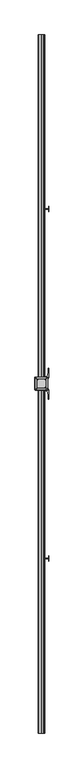
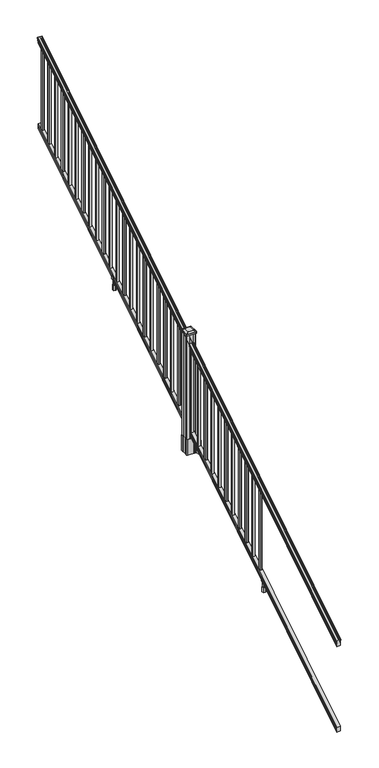
"""IFC4 building model written with IfcOpenShell, lengths in millimetres: railing geometry."""

from ifc_helpers import new_model, si_unit, point, frame, frame_2d, origin, place, context, project, spatial, polyline, circle_curve, ellipse_curve, trimmed, segment, composite_curve, outline, extrude, faceted_brep, source, transform, mapped, element, save
from ifc_brep_helpers import plane_surface, cylinder_surface, revolved_surface, extruded_surface, advanced_brep


def railing_cfca4153(model_context):
    return source(origin(), model_context, "Body", "SolidModel", [
        advanced_brep(
        [(10207.2754996, -7669.8194681, 1133.2070492), (10209.8493284, -7669.8194681, 1133.2070492), (10209.8493284, -7669.8194681, 1120.6394336), (10208.8333284, -7669.8194681, 1119.441318), (10208.8333284, -7669.8194681, 1104.9), (10240.5833284, -7669.8194681, 1104.9), (10240.5833284, -7669.8194681, 1119.6274214), (10239.5673284, -7669.8194681, 1120.825537), (10239.5673284, -7669.8194681, 1133.2070492), (10242.1411571, -7669.8194681, 1133.2070492), (10242.1411571, -7669.8194681, 1135.4335658), (10243.2713434, -7669.8194681, 1137.2758543), (10243.2713434, -7669.8194681, 1145.7876358), (10242.622087, -7669.8194681, 1148.6572588), (10245.122087, -7669.8194681, 1153.7635509), (10246.5314295, -7669.8194681, 1155.7442021), (10246.9333285, -7669.8194681, 1157.0469579), (10246.9333284, -7669.8194681, 1158.6274846), (10245.3798811, -7669.8194681, 1160.4593836), (10224.7083284, -7669.8194681, 1160.4593836), (10204.0367756, -7669.8194681, 1160.4593836), (10202.4833284, -7669.8194681, 1158.6274846), (10202.4833284, -7669.8194681, 1157.0469579), (10202.8852273, -7669.8194681, 1155.7442021), (10204.2945697, -7669.8194681, 1153.7635509), (10206.7945697, -7669.8194681, 1148.6572588), (10206.1453133, -7669.8194681, 1145.7876358), (10206.1453133, -7669.8194681, 1137.2758543), (10207.2754996, -7669.8194681, 1135.4335658), (10207.2754996, -2793.0194681, 4181.2070492), (10207.2754996, -2793.0194681, 4183.4335658), (10206.1453133, -2793.0194681, 4185.2758543), (10206.1453133, -2793.0194681, 4193.7876358), (10206.7945697, -2793.0194681, 4196.6572588), (10204.2945697, -2793.0194681, 4201.7635509), (10202.8852273, -2793.0194681, 4203.7442021), (10202.4833283, -2793.0194681, 4205.0469579), (10202.4833284, -2793.0194681, 4206.6274846), (10204.0367756, -2793.0194681, 4208.4593836), (10224.7083284, -2793.0194681, 4208.4593836), (10245.3798811, -2793.0194681, 4208.4593836), (10246.9333284, -2793.0194681, 4206.6274846), (10246.9333284, -2793.0194681, 4205.0469579), (10246.5314295, -2793.0194681, 4203.7442021), (10245.122087, -2793.0194681, 4201.7635509), (10242.622087, -2793.0194681, 4196.6572588), (10243.2713434, -2793.0194681, 4193.7876358), (10243.2713434, -2793.0194681, 4185.2758543), (10242.1411571, -2793.0194681, 4183.4335658), (10242.1411571, -2793.0194681, 4181.2070492), (10239.5673284, -2793.0194681, 4181.2070492), (10239.5673284, -2793.0194681, 4168.825537), (10240.5833284, -2793.0194681, 4167.6274214), (10240.5833284, -2793.0194681, 4152.9), (10208.8333284, -2793.0194681, 4152.9), (10208.8333284, -2793.0194681, 4167.441318), (10209.8493284, -2793.0194681, 4168.6394336), (10209.8493284, -2793.0194681, 4181.2070492)],
        [
            (0, 1, ellipse_curve(frame((10208.562414, -7669.8194681, 1133.2070492), z_axis=(0.0, -1.0, 0.0), x_axis=(0.0, 0.0, -1.0)), 1.5175907, 1.2869144)),
            (1, 2),
            (2, 3),
            (3, 4),
            (4, 5),
            (5, 6),
            (6, 7),
            (7, 8),
            (8, 9, ellipse_curve(frame((10240.8542427, -7669.8194681, 1133.2070492), z_axis=(0.0, -1.0, 0.0), x_axis=(0.0, 0.0, -1.0)), 1.5175907, 1.2869144)),
            (9, 10),
            (10, 11, ellipse_curve(frame((10235.8264038, -7669.8194681, 1142.2239405), z_axis=(0.0, -1.0, 0.0), x_axis=(0.0, 0.0, -1.0)), 10.0777926, 8.545951)),
            (11, 12, ellipse_curve(frame((10236.2634668, -7669.8194681, 1141.5317451), z_axis=(0.0, -1.0, 0.0), x_axis=(0.0, 0.0, -1.0)), 9.2955186, 7.882584)),
            (12, 13, ellipse_curve(frame((10246.7767909, -7669.8194681, 1148.4275077), z_axis=(0.0, 1.0, 0.0), x_axis=(0.0, 0.0, 1.0)), 4.9048088, 4.1592695)),
            (13, 14, ellipse_curve(frame((10248.0640975, -7669.8194681, 1148.3563208), z_axis=(0.0, 1.0, 0.0), x_axis=(0.0, 0.0, 1.0)), 6.4245301, 5.4479907)),
            (14, 15, ellipse_curve(frame((10246.830939, -7669.8194681, 1153.7602333), z_axis=(0.0, 1.0, 0.0), x_axis=(0.0, 0.0, 1.0)), 2.0151625, 1.7088543)),
            (15, 16, ellipse_curve(frame((10245.2140389, -7669.8194681, 1157.0469579), z_axis=(0.0, -1.0, 0.0), x_axis=(0.0, 0.0, -1.0)), 2.0274681, 1.7192895)),
            (16, 17),
            (17, 18, ellipse_curve(frame((10245.3798811, -7669.8194681, 1158.6274846), z_axis=(0.0, -1.0, 0.0), x_axis=(0.0, 0.0, -1.0)), 1.831899, 1.5534472)),
            (18, 19),
            (19, 20),
            (20, 21, ellipse_curve(frame((10204.0367756, -7669.8194681, 1158.6274846), z_axis=(0.0, -1.0, 0.0), x_axis=(0.0, 0.0, -1.0)), 1.831899, 1.5534472)),
            (21, 22),
            (22, 23, ellipse_curve(frame((10204.2026178, -7669.8194681, 1157.0469579), z_axis=(0.0, -1.0, 0.0), x_axis=(0.0, 0.0, -1.0)), 2.0274681, 1.7192895)),
            (23, 24, ellipse_curve(frame((10202.5857177, -7669.8194681, 1153.7602333), z_axis=(0.0, 1.0, 0.0), x_axis=(0.0, 0.0, 1.0)), 2.0151625, 1.7088543)),
            (24, 25, ellipse_curve(frame((10201.3525593, -7669.8194681, 1148.3563208), z_axis=(0.0, 1.0, 0.0), x_axis=(0.0, 0.0, 1.0)), 6.4245301, 5.4479907)),
            (25, 26, ellipse_curve(frame((10202.6398658, -7669.8194681, 1148.4275077), z_axis=(0.0, 1.0, 0.0), x_axis=(0.0, 0.0, 1.0)), 4.9048088, 4.1592695)),
            (26, 27, ellipse_curve(frame((10213.15319, -7669.8194681, 1141.5317451), z_axis=(0.0, -1.0, 0.0), x_axis=(0.0, 0.0, -1.0)), 9.2955186, 7.882584)),
            (27, 28, ellipse_curve(frame((10213.5902529, -7669.8194681, 1142.2239405), z_axis=(0.0, -1.0, 0.0), x_axis=(0.0, 0.0, -1.0)), 10.0777926, 8.545951)),
            (28, 0),
            (29, 30),
            (30, 31, ellipse_curve(frame((10213.5902529, -2793.0194681, 4190.2239405), z_axis=(0.0, 1.0, 0.0), x_axis=(0.0, 0.0, -1.0)), 10.0777926, 8.545951)),
            (31, 32, ellipse_curve(frame((10213.15319, -2793.0194681, 4189.5317451), z_axis=(0.0, 1.0, 0.0), x_axis=(0.0, 0.0, -1.0)), 9.2955186, 7.882584)),
            (32, 33, ellipse_curve(frame((10202.6398658, -2793.0194681, 4196.4275077), z_axis=(0.0, -1.0, 0.0), x_axis=(0.0, 0.0, 1.0)), 4.9048088, 4.1592695)),
            (33, 34, ellipse_curve(frame((10201.3525593, -2793.0194681, 4196.3563208), z_axis=(0.0, -1.0, 0.0), x_axis=(0.0, 0.0, 1.0)), 6.4245301, 5.4479907)),
            (34, 35, ellipse_curve(frame((10202.5857177, -2793.0194681, 4201.7602333), z_axis=(0.0, -1.0, 0.0), x_axis=(0.0, 0.0, 1.0)), 2.0151625, 1.7088543)),
            (35, 36, ellipse_curve(frame((10204.2026178, -2793.0194681, 4205.0469579), z_axis=(0.0, 1.0, 0.0), x_axis=(0.0, 0.0, -1.0)), 2.0274681, 1.7192895)),
            (36, 37),
            (37, 38, ellipse_curve(frame((10204.0367756, -2793.0194681, 4206.6274846), z_axis=(0.0, 1.0, 0.0), x_axis=(0.0, 0.0, -1.0)), 1.831899, 1.5534472)),
            (38, 39),
            (39, 40),
            (40, 41, ellipse_curve(frame((10245.3798811, -2793.0194681, 4206.6274846), z_axis=(0.0, 1.0, 0.0), x_axis=(0.0, 0.0, -1.0)), 1.831899, 1.5534472)),
            (41, 42),
            (42, 43, ellipse_curve(frame((10245.2140389, -2793.0194681, 4205.0469579), z_axis=(0.0, 1.0, 0.0), x_axis=(0.0, 0.0, -1.0)), 2.0274681, 1.7192895)),
            (43, 44, ellipse_curve(frame((10246.830939, -2793.0194681, 4201.7602333), z_axis=(0.0, -1.0, 0.0), x_axis=(0.0, 0.0, 1.0)), 2.0151625, 1.7088543)),
            (44, 45, ellipse_curve(frame((10248.0640975, -2793.0194681, 4196.3563208), z_axis=(0.0, -1.0, 0.0), x_axis=(0.0, 0.0, 1.0)), 6.4245301, 5.4479907)),
            (45, 46, ellipse_curve(frame((10246.7767909, -2793.0194681, 4196.4275077), z_axis=(0.0, -1.0, 0.0), x_axis=(0.0, 0.0, 1.0)), 4.9048088, 4.1592695)),
            (46, 47, ellipse_curve(frame((10236.2634668, -2793.0194681, 4189.5317451), z_axis=(0.0, 1.0, 0.0), x_axis=(0.0, 0.0, -1.0)), 9.2955186, 7.882584)),
            (47, 48, ellipse_curve(frame((10235.8264038, -2793.0194681, 4190.2239405), z_axis=(0.0, 1.0, 0.0), x_axis=(0.0, 0.0, -1.0)), 10.0777926, 8.545951)),
            (48, 49),
            (49, 50, ellipse_curve(frame((10240.8542427, -2793.0194681, 4181.2070492), z_axis=(0.0, 1.0, 0.0), x_axis=(0.0, 0.0, -1.0)), 1.5175907, 1.2869144)),
            (50, 51),
            (51, 52),
            (52, 53),
            (53, 54),
            (54, 55),
            (55, 56),
            (56, 57),
            (57, 29, ellipse_curve(frame((10208.562414, -2793.0194681, 4181.2070492), z_axis=(0.0, 1.0, 0.0), x_axis=(0.0, 0.0, -1.0)), 1.5175907, 1.2869144)),
            (28, 30),
            (29, 0),
            (27, 31),
            (26, 32),
            (25, 33),
            (24, 34),
            (23, 35),
            (22, 36),
            (21, 37),
            (20, 38),
            (19, 39),
            (18, 40),
            (17, 41),
            (16, 42),
            (15, 43),
            (14, 44),
            (13, 45),
            (12, 46),
            (11, 47),
            (10, 48),
            (9, 49),
            (8, 50),
            (7, 51),
            (6, 52),
            (5, 53),
            (4, 54),
            (3, 55),
            (2, 56),
            (1, 57),
        ],
        [
            plane_surface(frame((10224.7083284, -7669.8194681, 1104.9), z_axis=(0.0, -1.0, 0.0), x_axis=(0.0, 0.0, 1.0))),
            plane_surface(frame((10224.7083284, -2793.0194681, 4152.9), z_axis=(0.0, 1.0, 0.0), x_axis=(0.0, 0.0, 1.0))),
            plane_surface(frame((10207.2754996, -7669.8194681, 1135.4335658), z_axis=(-1.0000000000000002, 0.0, 0.0), x_axis=(0.0, 0.8479983040051253, 0.5299989400031204))),
            cylinder_surface(frame((10213.5902529, -7686.5942728, 1131.7396876), z_axis=(0.0, -0.8479983040051253, -0.5299989400031204), x_axis=(1.0, 0.0, 0.0)), 8.545951),
            cylinder_surface(frame((10213.15319, -7686.2831737, 1131.241929), z_axis=(0.0, -0.8479983040051253, -0.5299989400031204), x_axis=(1.0, 0.0, 0.0)), 7.882584),
            revolved_surface(polyline([(10206.7991353, -2790.8150596503465, 4197.805262980555), (10206.7991353, -7672.023876549438, 1147.0497524190998)]), (10202.6398658, -7689.3823929, 1136.2006797), (0.0, 0.8479983040051253, 0.5299989400031204)),
            revolved_surface(polyline([(10206.80055, -2790.132038835739, 4198.160964077184), (10206.80055, -7672.7068973528085, 1146.5516775044932)]), (10201.3525593, -7689.3503988, 1136.1494891), (0.0, 0.8479983040051253, 0.5299989400031204)),
            revolved_surface(polyline([(10204.294572, -2792.113777099783, 4202.326290199657), (10204.294572, -7670.725159122471, 1153.1941764359535)]), (10202.5857177, -7691.7791235, 1140.0354487), (0.0, 0.8479983040051253, 0.5299989400031204)),
            cylinder_surface(frame((10204.2026178, -7693.2563031, 1142.398936), z_axis=(0.0, -0.8479983040051253, -0.5299989400031204), x_axis=(1.0, 0.0, 0.0)), 1.7192895),
            plane_surface(frame((10202.4833284, -7669.8194681, 1158.6274846), z_axis=(-1.0000000000000002, 0.0, 0.0), x_axis=(0.0, 0.8479983040051253, 0.5299989400031204))),
            cylinder_surface(frame((10204.0367756, -7693.9666522, 1143.5354945), z_axis=(0.0, -0.8479983040051253, -0.5299989400031204), x_axis=(1.0, 0.0, 0.0)), 1.5534472),
            plane_surface(frame((10224.7083284, -7669.8194681, 1160.4593836), z_axis=(0.0, -0.5299989400031204, 0.8479983040051253), x_axis=(0.0, 0.8479983040051253, 0.5299989400031204))),
            plane_surface(frame((10245.3798811, -7669.8194681, 1160.4593836), z_axis=(0.0, -0.5299989400031204, 0.8479983040051253), x_axis=(0.0, 0.8479983040051253, 0.5299989400031204))),
            cylinder_surface(frame((10245.3798811, -7693.9666522, 1143.5354945), z_axis=(0.0, -0.8479983040051253, -0.5299989400031204), x_axis=(-1.0, 0.0, 0.0)), 1.5534472),
            plane_surface(frame((10246.9333284, -7669.8194681, 1157.0469579), z_axis=(1.0000000000000002, 0.0, 0.0), x_axis=(0.0, 0.8479983040051253, 0.5299989400031204))),
            cylinder_surface(frame((10245.2140389, -7693.2563031, 1142.398936), z_axis=(0.0, -0.8479983040051253, -0.5299989400031204), x_axis=(-1.0, 0.0, 0.0)), 1.7192895),
            revolved_surface(polyline([(10245.122084699999, -2792.113777099783, 4202.326290199657), (10245.122084699999, -7670.725159122471, 1153.1941764359535)]), (10246.830939, -7691.7791235, 1140.0354487), (0.0, 0.8479983040051253, 0.5299989400031204)),
            revolved_surface(polyline([(10242.6161068, -2790.132038835739, 4198.160964077184), (10242.6161068, -7672.7068973528085, 1146.5516775044932)]), (10248.0640975, -7689.3503988, 1136.1494891), (0.0, 0.8479983040051253, 0.5299989400031204)),
            revolved_surface(polyline([(10242.6175214, -2790.8150596503465, 4197.805262980555), (10242.6175214, -7672.023876549438, 1147.0497524190998)]), (10246.7767909, -7689.3823929, 1136.2006797), (0.0, 0.8479983040051253, 0.5299989400031204)),
            cylinder_surface(frame((10236.2634668, -7686.2831737, 1131.241929), z_axis=(0.0, -0.8479983040051253, -0.5299989400031204), x_axis=(-1.0, 0.0, 0.0)), 7.882584),
            cylinder_surface(frame((10235.8264038, -7686.5942728, 1131.7396876), z_axis=(0.0, -0.8479983040051253, -0.5299989400031204), x_axis=(-1.0, 0.0, 0.0)), 8.545951),
            plane_surface(frame((10242.1411571, -7669.8194681, 1133.2070492), z_axis=(1.0, 0.0, 0.0), x_axis=(0.0, 0.8479983040051253, 0.5299989400031203))),
            cylinder_surface(frame((10240.8542427, -7682.5417374, 1125.2556309), z_axis=(0.0, -0.8479983040051253, -0.5299989400031204), x_axis=(-1.0, 0.0, 0.0)), 1.2869144),
            plane_surface(frame((10239.5673284, -7669.8194681, 1120.825537), z_axis=(1.0, 0.0, 0.0), x_axis=(0.0, 0.8479983040051252, 0.5299989400031205))),
            plane_surface(frame((10240.5833284, -7669.8194681, 1119.6274214), z_axis=(0.7071067811865426, -0.37476584449789224, 0.5996253511967193), x_axis=(0.0, 0.8479983040051253, 0.5299989400031204))),
            plane_surface(frame((10240.5833284, -7669.8194681, 1104.9), z_axis=(1.0000000000000002, 0.0, 0.0), x_axis=(0.0, 0.8479983040051253, 0.5299989400031204))),
            plane_surface(frame((10208.8333284, -7669.8194681, 1104.9), z_axis=(0.0, 0.5299989400031204, -0.8479983040051253), x_axis=(0.0, 0.8479983040051253, 0.5299989400031204))),
            plane_surface(frame((10208.8333284, -7669.8194681, 1119.441318), z_axis=(-1.0, 0.0, 0.0), x_axis=(0.0, 0.8479983040051252, 0.5299989400031204))),
            plane_surface(frame((10209.8493284, -7669.8194681, 1120.6394336), z_axis=(-0.7071067811865404, -0.3747658444978917, 0.5996253511967224), x_axis=(0.0, 0.8479983040051253, 0.5299989400031204))),
            plane_surface(frame((10209.8493284, -7669.8194681, 1133.2070492), z_axis=(-1.0000000000000002, 0.0, 0.0), x_axis=(0.0, 0.8479983040051253, 0.5299989400031204))),
            cylinder_surface(frame((10208.562414, -7682.5417374, 1125.2556309), z_axis=(0.0, -0.8479983040051253, -0.5299989400031204), x_axis=(1.0, 0.0, 0.0)), 1.2869144),
        ],
        [
            (0, [[1, 2, 3, 4, 5, 6, 7, 8, 9, 10, 11, 12, 13, 14, 15, 16, 17, 18, 19, 20, 21, 22, 23, 24, 25, 26, 27, 28, 29]]),
            (1, [[30, 31, 32, 33, 34, 35, 36, 37, 38, 39, 40, 41, 42, 43, 44, 45, 46, 47, 48, 49, 50, 51, 52, 53, 54, 55, 56, 57, 58]]),
            (2, [[-29, 59, -30, 60]]),
            (3, [[-28, 61, -31, -59]]),
            (4, [[-27, 62, -32, -61]]),
            (5, [[-26, 63, -33, -62]]),
            (6, [[-25, 64, -34, -63]]),
            (7, [[-24, 65, -35, -64]]),
            (8, [[-23, 66, -36, -65]]),
            (9, [[-22, 67, -37, -66]]),
            (10, [[-21, 68, -38, -67]]),
            (11, [[-20, 69, -39, -68]]),
            (12, [[-19, 70, -40, -69]]),
            (13, [[-18, 71, -41, -70]]),
            (14, [[-17, 72, -42, -71]]),
            (15, [[-16, 73, -43, -72]]),
            (16, [[-15, 74, -44, -73]]),
            (17, [[-14, 75, -45, -74]]),
            (18, [[-13, 76, -46, -75]]),
            (19, [[-12, 77, -47, -76]]),
            (20, [[-11, 78, -48, -77]]),
            (21, [[-10, 79, -49, -78]]),
            (22, [[-9, 80, -50, -79]]),
            (23, [[-8, 81, -51, -80]]),
            (24, [[-7, 82, -52, -81]]),
            (25, [[-6, 83, -53, -82]]),
            (26, [[-5, 84, -54, -83]]),
            (27, [[-4, 85, -55, -84]]),
            (28, [[-3, 86, -56, -85]]),
            (29, [[-2, 87, -57, -86]]),
            (30, [[-1, -60, -58, -87]]),
        ],
    ),
        faceted_brep([(10208.7958415, -7669.8194681, 268.8045079), (10208.7958415, -7669.8194681, 254.0), (10240.5458415, -7669.8194681, 254.0), (10240.5458415, -7669.8194681, 268.7848772), (10239.5298415, -7669.8194681, 270.3748303), (10239.5298415, -7669.8194681, 282.5348741), (10240.5458415, -7669.8194681, 284.1248272), (10240.5458415, -7669.8194681, 298.9244744), (10208.7958415, -7669.8194681, 298.9244744), (10208.7958415, -7669.8194681, 284.1444579), (10209.8118415, -7669.8194681, 282.5545048), (10209.8118415, -7669.8194681, 270.338026), (10208.7958415, -2793.0194681, 3316.8045079), (10209.8118415, -2793.0194681, 3318.338026), (10209.8118415, -2793.0194681, 3330.5545048), (10208.7958415, -2793.0194681, 3332.1444579), (10208.7958415, -2793.0194681, 3346.9244744), (10240.5458415, -2793.0194681, 3346.9244744), (10240.5458415, -2793.0194681, 3332.1248272), (10239.5298415, -2793.0194681, 3330.5348741), (10239.5298415, -2793.0194681, 3318.3748303), (10240.5458415, -2793.0194681, 3316.7848772), (10240.5458415, -2793.0194681, 3302.0), (10208.7958415, -2793.0194681, 3302.0)], [[[0, 1, 2, 3, 4, 5, 6, 7, 8, 9, 10, 11]], [[12, 13, 14, 15, 16, 17, 18, 19, 20, 21, 22, 23]], [[0, 11, 13, 12]], [[11, 10, 14, 13]], [[10, 9, 15, 14]], [[9, 8, 16, 15]], [[8, 7, 17, 16]], [[7, 6, 18, 17]], [[6, 5, 19, 18]], [[5, 4, 20, 19]], [[4, 3, 21, 20]], [[3, 2, 22, 21]], [[2, 1, 23, 22]], [[1, 0, 12, 23]]]),
        extrude(outline(polyline([(10215.1833284, -2849.7884681), (10215.1833284, -2830.7384681), (10234.2333284, -2830.7384681), (10234.2333284, -2849.7884681), (10215.1833284, -2849.7884681)]), holes=[polyline([(10215.5802034, -2849.3915931), (10233.8364534, -2849.3915931), (10233.8364534, -2831.1353431), (10215.5802034, -2831.1353431), (10215.5802034, -2849.3915931)])]), frame((0.0, 0.0, 3310.5683781), z_axis=(0.0, 0.0, 1.0), x_axis=(1.0, 0.0, 0.0)), (0.0, 0.0, 1.0), 812.8041219),
        extrude(outline(polyline([(10215.1833284, -2961.0404681), (10215.1833284, -2941.9904681), (10234.2333284, -2941.9904681), (10234.2333284, -2961.0404681), (10215.1833284, -2961.0404681)]), holes=[polyline([(10215.5802034, -2960.6435931), (10233.8364534, -2960.6435931), (10233.8364534, -2942.3873431), (10215.5802034, -2942.3873431), (10215.5802034, -2960.6435931)])]), frame((0.0, 0.0, 3241.0358781), z_axis=(0.0, 0.0, 1.0), x_axis=(1.0, 0.0, 0.0)), (0.0, 0.0, 1.0), 812.8041219),
        extrude(outline(polyline([(10215.1833284, -3072.2924681), (10215.1833284, -3053.2424681), (10234.2333284, -3053.2424681), (10234.2333284, -3072.2924681), (10215.1833284, -3072.2924681)]), holes=[polyline([(10215.5802034, -3071.8955931), (10233.8364534, -3071.8955931), (10233.8364534, -3053.6393431), (10215.5802034, -3053.6393431), (10215.5802034, -3071.8955931)])]), frame((0.0, 0.0, 3171.5033781), z_axis=(0.0, 0.0, 1.0), x_axis=(1.0, 0.0, 0.0)), (0.0, 0.0, 1.0), 812.8041219),
        extrude(outline(polyline([(10215.1833284, -3183.5444681), (10215.1833284, -3164.4944681), (10234.2333284, -3164.4944681), (10234.2333284, -3183.5444681), (10215.1833284, -3183.5444681)]), holes=[polyline([(10215.5802034, -3183.1475931), (10233.8364534, -3183.1475931), (10233.8364534, -3164.8913431), (10215.5802034, -3164.8913431), (10215.5802034, -3183.1475931)])]), frame((0.0, 0.0, 3101.9708781), z_axis=(0.0, 0.0, 1.0), x_axis=(1.0, 0.0, 0.0)), (0.0, 0.0, 1.0), 812.8041219),
        extrude(outline(polyline([(10215.1833284, -3294.7964681), (10215.1833284, -3275.7464681), (10234.2333284, -3275.7464681), (10234.2333284, -3294.7964681), (10215.1833284, -3294.7964681)]), holes=[polyline([(10215.5802034, -3294.3995931), (10233.8364534, -3294.3995931), (10233.8364534, -3276.1433431), (10215.5802034, -3276.1433431), (10215.5802034, -3294.3995931)])]), frame((0.0, 0.0, 3032.4383781), z_axis=(0.0, 0.0, 1.0), x_axis=(1.0, 0.0, 0.0)), (0.0, 0.0, 1.0), 812.8041219),
        extrude(outline(polyline([(10215.1833284, -3406.0484681), (10215.1833284, -3386.9984681), (10234.2333284, -3386.9984681), (10234.2333284, -3406.0484681), (10215.1833284, -3406.0484681)]), holes=[polyline([(10215.5802034, -3405.6515931), (10233.8364534, -3405.6515931), (10233.8364534, -3387.3953431), (10215.5802034, -3387.3953431), (10215.5802034, -3405.6515931)])]), frame((0.0, 0.0, 2962.9058781), z_axis=(0.0, 0.0, 1.0), x_axis=(1.0, 0.0, 0.0)), (0.0, 0.0, 1.0), 812.8041219),
        extrude(outline(polyline([(10215.1833284, -3517.3004681), (10215.1833284, -3498.2504681), (10234.2333284, -3498.2504681), (10234.2333284, -3517.3004681), (10215.1833284, -3517.3004681)]), holes=[polyline([(10215.5802034, -3516.9035931), (10233.8364534, -3516.9035931), (10233.8364534, -3498.6473431), (10215.5802034, -3498.6473431), (10215.5802034, -3516.9035931)])]), frame((0.0, 0.0, 2893.3733781), z_axis=(0.0, 0.0, 1.0), x_axis=(1.0, 0.0, 0.0)), (0.0, 0.0, 1.0), 812.8041219),
        extrude(outline(polyline([(10215.1833284, -3628.5524681), (10215.1833284, -3609.5024681), (10234.2333284, -3609.5024681), (10234.2333284, -3628.5524681), (10215.1833284, -3628.5524681)]), holes=[polyline([(10215.5802034, -3628.1555931), (10233.8364534, -3628.1555931), (10233.8364534, -3609.8993431), (10215.5802034, -3609.8993431), (10215.5802034, -3628.1555931)])]), frame((0.0, 0.0, 2823.8408781), z_axis=(0.0, 0.0, 1.0), x_axis=(1.0, 0.0, 0.0)), (0.0, 0.0, 1.0), 812.8041219),
        extrude(outline(polyline([(10215.1833284, -3739.8044681), (10215.1833284, -3720.7544681), (10234.2333284, -3720.7544681), (10234.2333284, -3739.8044681), (10215.1833284, -3739.8044681)]), holes=[polyline([(10215.5802034, -3739.4075931), (10233.8364534, -3739.4075931), (10233.8364534, -3721.1513431), (10215.5802034, -3721.1513431), (10215.5802034, -3739.4075931)])]), frame((0.0, 0.0, 2754.3083781), z_axis=(0.0, 0.0, 1.0), x_axis=(1.0, 0.0, 0.0)), (0.0, 0.0, 1.0), 812.8041219),
        extrude(outline(polyline([(10215.1833284, -3851.0564681), (10215.1833284, -3832.0064681), (10234.2333284, -3832.0064681), (10234.2333284, -3851.0564681), (10215.1833284, -3851.0564681)]), holes=[polyline([(10215.5802034, -3850.6595931), (10233.8364534, -3850.6595931), (10233.8364534, -3832.4033431), (10215.5802034, -3832.4033431), (10215.5802034, -3850.6595931)])]), frame((0.0, 0.0, 2684.7758781), z_axis=(0.0, 0.0, 1.0), x_axis=(1.0, 0.0, 0.0)), (0.0, 0.0, 1.0), 812.8041219),
        extrude(outline(polyline([(10215.1833284, -3962.3084681), (10215.1833284, -3943.2584681), (10234.2333284, -3943.2584681), (10234.2333284, -3962.3084681), (10215.1833284, -3962.3084681)]), holes=[polyline([(10215.5802034, -3961.9115931), (10233.8364534, -3961.9115931), (10233.8364534, -3943.6553431), (10215.5802034, -3943.6553431), (10215.5802034, -3961.9115931)])]), frame((0.0, 0.0, 2615.2433781), z_axis=(0.0, 0.0, 1.0), x_axis=(1.0, 0.0, 0.0)), (0.0, 0.0, 1.0), 812.8041219),
        extrude(outline(polyline([(10235.3763282, -4009.6794681), (10235.3763282, -4007.1394681), (10274.7463284, -4007.1394681), (10274.7463284, -4009.6794681), (10235.3763282, -4009.6794681)])), frame((0.0, 0.0, 2428.08125), z_axis=(0.0, 0.0, 1.0), x_axis=(1.0, 0.0, 0.0)), (0.0, 0.0, 1.0), 50.8),
        extrude(outline(polyline([(10274.7463284, -4027.4594681), (10274.7463284, -3989.3594681), (10277.2863284, -3989.3594681), (10277.2863284, -4027.4594681), (10274.7463284, -4027.4594681)])), frame((0.0, 0.0, 2428.08125), z_axis=(0.0, 0.0, 1.0), x_axis=(1.0, 0.0, 0.0)), (0.0, 0.0, 1.0), 50.8),
        extrude(outline(polyline([(10214.0403276, -4018.3154681), (10214.0403276, -3998.5034681), (10235.3763282, -3998.5034681), (10235.3763282, -4018.3154681), (10214.0403276, -4018.3154681)]), holes=[polyline([(10217.3423277, -4015.7754681), (10232.0743281, -4015.7754681), (10232.0743281, -4001.0434681), (10217.3423277, -4001.0434681), (10217.3423277, -4015.7754681)])]), frame((0.0, 0.0, 2428.08125), z_axis=(0.0, 0.0, 1.0), x_axis=(1.0, 0.0, 0.0)), (0.0, 0.0, 1.0), 50.8),
        extrude(outline(polyline([(2567.6016479, 10242.8693272), (2567.6016479, 10240.8373276), (2566.5856453, 10239.8213278), (2556.1498581, 10239.8213278), (2555.1338573, 10240.8373276), (2543.143251, 10240.8373276), (2542.3812519, 10240.0753285), (2542.3812519, 10209.3413273), (2543.143251, 10208.5793282), (2555.1338573, 10208.5793282), (2556.1498581, 10209.595328), (2566.5856453, 10209.595328), (2567.6016479, 10208.5793282), (2567.6016479, 10206.5473286), (2566.8396469, 10205.7853276), (2540.3492523, 10205.7853276), (2539.5872513, 10206.5473286), (2539.5872513, 10216.5803276), (2538.8252512, 10217.3423277), (2475.3252512, 10217.3423277), (2475.3252512, 10232.0743281), (2538.8252512, 10232.0743281), (2539.5872513, 10232.8363282), (2539.5872513, 10242.8693272), (2540.3492523, 10243.6313282), (2566.8396469, 10243.6313282), (2567.6016479, 10242.8693272)]), holes=[polyline([(2539.5872513, 10221.279328), (2539.5872513, 10228.1373278), (2538.8252512, 10228.8993279), (2482.8182503, 10228.8993279), (2482.0562531, 10228.1373307), (2482.0562531, 10221.279328), (2482.8182531, 10220.5173279), (2538.8252512, 10220.5173279), (2539.5872513, 10221.279328)])]), frame((0.0, -4015.7754681, 0.0), z_axis=(0.0, 1.0, 0.0), x_axis=(0.0, 0.0, 1.0)), (0.0, 0.0, 1.0), 14.732),
        extrude(outline(polyline([(10215.1833284, -4073.5604681), (10215.1833284, -4054.5104681), (10234.2333284, -4054.5104681), (10234.2333284, -4073.5604681), (10215.1833284, -4073.5604681)]), holes=[polyline([(10215.5802034, -4073.1635931), (10233.8364534, -4073.1635931), (10233.8364534, -4054.9073431), (10215.5802034, -4054.9073431), (10215.5802034, -4073.1635931)])]), frame((0.0, 0.0, 2545.7108781), z_axis=(0.0, 0.0, 1.0), x_axis=(1.0, 0.0, 0.0)), (0.0, 0.0, 1.0), 812.8041219),
        extrude(outline(polyline([(10215.1833284, -4184.8124681), (10215.1833284, -4165.7624681), (10234.2333284, -4165.7624681), (10234.2333284, -4184.8124681), (10215.1833284, -4184.8124681)]), holes=[polyline([(10215.5802034, -4184.4155931), (10233.8364534, -4184.4155931), (10233.8364534, -4166.1593431), (10215.5802034, -4166.1593431), (10215.5802034, -4184.4155931)])]), frame((0.0, 0.0, 2476.1783781), z_axis=(0.0, 0.0, 1.0), x_axis=(1.0, 0.0, 0.0)), (0.0, 0.0, 1.0), 812.8041219),
        extrude(outline(polyline([(10215.1833284, -4296.0644681), (10215.1833284, -4277.0144681), (10234.2333284, -4277.0144681), (10234.2333284, -4296.0644681), (10215.1833284, -4296.0644681)]), holes=[polyline([(10215.5802034, -4295.6675931), (10233.8364534, -4295.6675931), (10233.8364534, -4277.4113431), (10215.5802034, -4277.4113431), (10215.5802034, -4295.6675931)])]), frame((0.0, 0.0, 2406.6458781), z_axis=(0.0, 0.0, 1.0), x_axis=(1.0, 0.0, 0.0)), (0.0, 0.0, 1.0), 812.8041219),
        extrude(outline(polyline([(10215.1833284, -4407.3164681), (10215.1833284, -4388.2664681), (10234.2333284, -4388.2664681), (10234.2333284, -4407.3164681), (10215.1833284, -4407.3164681)]), holes=[polyline([(10215.5802034, -4406.9195931), (10233.8364534, -4406.9195931), (10233.8364534, -4388.6633431), (10215.5802034, -4388.6633431), (10215.5802034, -4406.9195931)])]), frame((0.0, 0.0, 2337.1133781), z_axis=(0.0, 0.0, 1.0), x_axis=(1.0, 0.0, 0.0)), (0.0, 0.0, 1.0), 812.8041219),
        extrude(outline(polyline([(10215.1833284, -4518.5684681), (10215.1833284, -4499.5184681), (10234.2333284, -4499.5184681), (10234.2333284, -4518.5684681), (10215.1833284, -4518.5684681)]), holes=[polyline([(10215.5802034, -4518.1715931), (10233.8364534, -4518.1715931), (10233.8364534, -4499.9153431), (10215.5802034, -4499.9153431), (10215.5802034, -4518.1715931)])]), frame((0.0, 0.0, 2267.5808781), z_axis=(0.0, 0.0, 1.0), x_axis=(1.0, 0.0, 0.0)), (0.0, 0.0, 1.0), 812.8041219),
        extrude(outline(polyline([(10215.1833284, -4629.8204681), (10215.1833284, -4610.7704681), (10234.2333284, -4610.7704681), (10234.2333284, -4629.8204681), (10215.1833284, -4629.8204681)]), holes=[polyline([(10215.5802034, -4629.4235931), (10233.8364534, -4629.4235931), (10233.8364534, -4611.1673431), (10215.5802034, -4611.1673431), (10215.5802034, -4629.4235931)])]), frame((0.0, 0.0, 2198.0483781), z_axis=(0.0, 0.0, 1.0), x_axis=(1.0, 0.0, 0.0)), (0.0, 0.0, 1.0), 812.8041219),
        extrude(outline(polyline([(10215.1833284, -4741.0724681), (10215.1833284, -4722.0224681), (10234.2333284, -4722.0224681), (10234.2333284, -4741.0724681), (10215.1833284, -4741.0724681)]), holes=[polyline([(10215.5802034, -4740.6755931), (10233.8364534, -4740.6755931), (10233.8364534, -4722.4193431), (10215.5802034, -4722.4193431), (10215.5802034, -4740.6755931)])]), frame((0.0, 0.0, 2128.5158781), z_axis=(0.0, 0.0, 1.0), x_axis=(1.0, 0.0, 0.0)), (0.0, 0.0, 1.0), 812.8041219),
        extrude(outline(polyline([(10215.1833284, -4852.3244681), (10215.1833284, -4833.2744681), (10234.2333284, -4833.2744681), (10234.2333284, -4852.3244681), (10215.1833284, -4852.3244681)]), holes=[polyline([(10215.5802034, -4851.9275931), (10233.8364534, -4851.9275931), (10233.8364534, -4833.6713431), (10215.5802034, -4833.6713431), (10215.5802034, -4851.9275931)])]), frame((0.0, 0.0, 2058.9833781), z_axis=(0.0, 0.0, 1.0), x_axis=(1.0, 0.0, 0.0)), (0.0, 0.0, 1.0), 812.8041219),
        extrude(outline(polyline([(10215.1833284, -4963.5764681), (10215.1833284, -4944.5264681), (10234.2333284, -4944.5264681), (10234.2333284, -4963.5764681), (10215.1833284, -4963.5764681)]), holes=[polyline([(10215.5802034, -4963.1795931), (10233.8364534, -4963.1795931), (10233.8364534, -4944.9233431), (10215.5802034, -4944.9233431), (10215.5802034, -4963.1795931)])]), frame((0.0, 0.0, 1989.4508781), z_axis=(0.0, 0.0, 1.0), x_axis=(1.0, 0.0, 0.0)), (0.0, 0.0, 1.0), 812.8041219),
        extrude(outline(polyline([(10215.1833284, -5074.8284681), (10215.1833284, -5055.7784681), (10234.2333284, -5055.7784681), (10234.2333284, -5074.8284681), (10215.1833284, -5074.8284681)]), holes=[polyline([(10215.5802034, -5074.4315931), (10233.8364534, -5074.4315931), (10233.8364534, -5056.1753431), (10215.5802034, -5056.1753431), (10215.5802034, -5074.4315931)])]), frame((0.0, 0.0, 1919.9183781), z_axis=(0.0, 0.0, 1.0), x_axis=(1.0, 0.0, 0.0)), (0.0, 0.0, 1.0), 812.8041219),
        extrude(outline(polyline([(10215.1833284, -5186.0804681), (10215.1833284, -5167.0304681), (10234.2333284, -5167.0304681), (10234.2333284, -5186.0804681), (10215.1833284, -5186.0804681)]), holes=[polyline([(10215.5802034, -5185.6835931), (10233.8364534, -5185.6835931), (10233.8364534, -5167.4273431), (10215.5802034, -5167.4273431), (10215.5802034, -5185.6835931)])]), frame((0.0, 0.0, 1850.3858781), z_axis=(0.0, 0.0, 1.0), x_axis=(1.0, 0.0, 0.0)), (0.0, 0.0, 1.0), 812.8041219),
        extrude(outline(composite_curve([segment(polyline([(10181.9728284, -5246.265563), (10181.9728284, -5211.4933732), (10180.3853284, -5210.7313732), (10180.3853284, -5187.9294452), (10183.7583054, -5184.5564681), (10245.2179763, -5184.5564681), (10245.2179763, -5183.6357181), (10250.5355201, -5183.6357181), (10250.5355201, -5182.1814634), (10255.6200498, -5182.1814634), (10255.6200498, -5180.8974396), (10257.2873221, -5180.8974396)]), True, "CONTINUOUS"), segment(trimmed(circle_curve(frame_2d((10257.2873221, -5173.8379797)), 7.0594599), [point((10257.2873221, -5180.8974396))], [point((10264.0545849, -5175.8479864))], True, "CARTESIAN"), True, "CONTINUOUS"), segment(polyline([(10264.0545849, -5175.8479864), (10271.9287792, -5149.3372573)]), True, "CONTINUOUS"), segment(trimmed(circle_curve(frame_2d((10217.1442659, -5133.0652076)), 57.15), [point((10271.9287792, -5149.3372573))], [point((10274.2942659, -5133.0652076))], True, "CARTESIAN"), True, "CONTINUOUS"), segment(polyline([(10274.2942659, -5133.0652076), (10274.2942659, -5121.0564681), (10277.2942659, -5121.0564681), (10277.2942659, -5186.1439681), (10269.0313284, -5197.4822594), (10269.0313284, -5210.7313732), (10267.4438284, -5211.4933732), (10267.4438284, -5246.265563), (10269.0313284, -5247.027563), (10269.0313284, -5260.2766768), (10277.2942659, -5271.6149681), (10277.2942659, -5336.7024681), (10274.2942659, -5336.7024681), (10274.2942659, -5324.6937285)]), True, "CONTINUOUS"), segment(trimmed(circle_curve(frame_2d((10217.1442659, -5324.6937285)), 57.15), [point((10274.2942659, -5324.6937285))], [point((10271.9287792, -5308.4216789))], True, "CARTESIAN"), True, "CONTINUOUS"), segment(polyline([(10271.9287792, -5308.4216789), (10264.0545849, -5281.9109498)]), True, "CONTINUOUS"), segment(trimmed(circle_curve(frame_2d((10257.2873221, -5283.9209565)), 7.0594599), [point((10264.0545849, -5281.9109498))], [point((10257.2873221, -5276.8614966))], True, "CARTESIAN"), True, "CONTINUOUS"), segment(polyline([(10257.2873221, -5276.8614966), (10255.6200498, -5276.8614966), (10255.6200498, -5275.5774728), (10250.5355201, -5275.5774728), (10250.5355201, -5274.1232181), (10245.2179763, -5274.1232181), (10245.2179763, -5273.2024681), (10183.7583054, -5273.2024681), (10180.3853284, -5269.829491), (10180.3853284, -5247.027563), (10181.9728284, -5246.265563)]), True, "CONTINUOUS")], self_intersect=False), holes=[polyline([(10265.9833284, -5189.1919681), (10264.3958284, -5187.6044681), (10227.4715458, -5187.6044681), (10185.0208284, -5187.6044681), (10183.4333284, -5189.1919681), (10183.4333284, -5268.5669681), (10185.0208284, -5270.1544681), (10227.4715458, -5270.1544681), (10264.3958284, -5270.1544681), (10265.9833284, -5268.5669681), (10265.9833284, -5189.1919681)])]), frame((0.0, 0.0, 1563.6875), z_axis=(0.0, 0.0, 1.0), x_axis=(1.0, 0.0, 0.0)), (0.0, 0.0, 1.0), 152.4),
        advanced_brep(
        [(10250.5052034, -5257.8513431, 2776.026763), (10253.6802034, -5254.6763431, 2776.026763), (10253.6802034, -5203.0825931, 2776.026763), (10250.5052034, -5199.9075931, 2776.026763), (10198.9114534, -5199.9075931, 2776.026763), (10195.7364534, -5203.0825931, 2776.026763), (10195.7364534, -5254.6763431, 2776.026763), (10198.9114534, -5257.8513431, 2776.026763), (10266.7770784, -5274.1232181, 2764.723763), (10182.6395784, -5274.1232181, 2764.723763), (10179.4645784, -5270.9482181, 2764.723763), (10179.4645784, -5186.8107181, 2764.723763), (10182.6395784, -5183.6357181, 2764.723763), (10266.7770784, -5183.6357181, 2764.723763), (10269.9520784, -5186.8107181, 2764.723763), (10269.9520784, -5270.9482181, 2764.723763)],
        [
            (0, 1, circle_curve(frame((10250.5052034, -5254.6763431, 2776.026763), z_axis=(0.0, 0.0, 1.0), x_axis=(0.0, 1.0, 0.0)), 3.175)),
            (1, 2),
            (2, 3, circle_curve(frame((10250.5052034, -5203.0825931, 2776.026763), z_axis=(0.0, 0.0, 1.0), x_axis=(0.0, 1.0, 0.0)), 3.175)),
            (3, 4),
            (4, 5, circle_curve(frame((10198.9114534, -5203.0825931, 2776.026763), z_axis=(0.0, 0.0, 1.0), x_axis=(0.0, 1.0, 0.0)), 3.175)),
            (5, 6),
            (6, 7, circle_curve(frame((10198.9114534, -5254.6763431, 2776.026763), z_axis=(0.0, 0.0, 1.0), x_axis=(0.0, 1.0, 0.0)), 3.175)),
            (7, 0),
            (8, 9),
            (9, 10, circle_curve(frame((10182.6395784, -5270.9482181, 2764.723763), z_axis=(0.0, 0.0, -1.0), x_axis=(0.0, 1.0, 0.0)), 3.175)),
            (10, 11),
            (11, 12, circle_curve(frame((10182.6395784, -5186.8107181, 2764.723763), z_axis=(0.0, 0.0, -1.0), x_axis=(0.0, 1.0, 0.0)), 3.175)),
            (12, 13),
            (13, 14, circle_curve(frame((10266.7770784, -5186.8107181, 2764.723763), z_axis=(0.0, 0.0, -1.0), x_axis=(0.0, 1.0, 0.0)), 3.175)),
            (14, 15),
            (15, 8, circle_curve(frame((10266.7770784, -5270.9482181, 2764.723763), z_axis=(0.0, 0.0, -1.0), x_axis=(0.0, 1.0, 0.0)), 3.175)),
            (15, 1),
            (0, 8),
            (14, 2),
            (13, 3),
            (12, 4),
            (11, 5),
            (10, 6),
            (9, 7),
        ],
        [
            plane_surface(frame((10224.7083284, -5228.8794681, 2776.026763), z_axis=(0.0, 0.0, 1.0), x_axis=(1.0, 0.0, 0.0))),
            plane_surface(frame((10224.7083284, -5228.8794681, 2764.723763), z_axis=(0.0, 0.0, -1.0), x_axis=(1.0, 0.0, 0.0))),
            extruded_surface(trimmed(circle_curve(frame((10266.7770784, -5270.9482181, 2764.723763), z_axis=(0.0, 0.0, 1.0), x_axis=(0.0, 1.0, 0.0)), 3.175), [point((10266.7770784, -5274.1232181, 2764.723763))], [point((10269.9520784, -5270.9482181, 2764.723763))], True, "CARTESIAN"), (-16.271875000000364, 16.271875000000364, 11.302999999999884), 25.63797263886657),
            plane_surface(frame((10269.9520784, -5228.8794681, 2764.723763), z_axis=(0.5705009161540778, 0.0, 0.8212969649690408), x_axis=(0.0, 1.0, 0.0))),
            extruded_surface(trimmed(circle_curve(frame((10266.7770784, -5186.8107181, 2764.723763), z_axis=(0.0, 0.0, 1.0), x_axis=(0.0, 1.0, 0.0)), 3.175), [point((10269.9520784, -5186.8107181, 2764.723763))], [point((10266.7770784, -5183.6357181, 2764.723763))], True, "CARTESIAN"), (-16.271875000000364, -16.271875000000364, 11.302999999999884), 25.63797263886657),
            plane_surface(frame((10224.7083284, -5183.6357181, 2764.723763), z_axis=(0.0, 0.5705009161540291, 0.8212969649690747), x_axis=(-1.0, 0.0, 0.0))),
            extruded_surface(trimmed(circle_curve(frame((10182.6395784, -5186.8107181, 2764.723763), z_axis=(0.0, 0.0, 1.0), x_axis=(0.0, 1.0, 0.0)), 3.175), [point((10182.6395784, -5183.6357181, 2764.723763))], [point((10179.4645784, -5186.8107181, 2764.723763))], True, "CARTESIAN"), (16.271875000000364, -16.271875000000364, 11.302999999999884), 25.63797263886657),
            plane_surface(frame((10179.4645784, -5228.8794681, 2764.723763), z_axis=(-0.5705009161540142, 0.0, 0.8212969649690851), x_axis=(0.0, -1.0, 0.0))),
            extruded_surface(trimmed(circle_curve(frame((10182.6395784, -5270.9482181, 2764.723763), z_axis=(0.0, 0.0, 1.0), x_axis=(0.0, 1.0, 0.0)), 3.175), [point((10179.4645784, -5270.9482181, 2764.723763))], [point((10182.6395784, -5274.1232181, 2764.723763))], True, "CARTESIAN"), (16.271875000000364, 16.271875000000364, 11.302999999999884), 25.63797263886657),
            plane_surface(frame((10224.7083284, -5274.1232181, 2764.723763), z_axis=(0.0, -0.570500916154034, 0.8212969649690713), x_axis=(1.0, 0.0, 0.0))),
        ],
        [
            (0, [[1, 2, 3, 4, 5, 6, 7, 8]]),
            (1, [[9, 10, 11, 12, 13, 14, 15, 16]]),
            (2, [[-16, 17, -1, 18]]),
            (3, [[-15, 19, -2, -17]]),
            (4, [[-14, 20, -3, -19]]),
            (5, [[-13, 21, -4, -20]]),
            (6, [[-12, 22, -5, -21]]),
            (7, [[-11, 23, -6, -22]]),
            (8, [[-10, 24, -7, -23]]),
            (9, [[-9, -18, -8, -24]]),
        ],
    ),
        extrude(outline(composite_curve([segment(polyline([(10266.7770784, -5274.1232181), (10182.6395784, -5274.1232181)]), True, "CONTINUOUS"), segment(trimmed(circle_curve(frame_2d((10182.6395784, -5270.9482181)), 3.175), [point((10182.6395784, -5274.1232181))], [point((10179.4645784, -5270.9482181))], False, "CARTESIAN"), True, "CONTINUOUS"), segment(polyline([(10179.4645784, -5270.9482181), (10179.4645784, -5186.8107181)]), True, "CONTINUOUS"), segment(trimmed(circle_curve(frame_2d((10182.6395784, -5186.8107181)), 3.175), [point((10179.4645784, -5186.8107181))], [point((10182.6395784, -5183.6357181))], False, "CARTESIAN"), True, "CONTINUOUS"), segment(polyline([(10182.6395784, -5183.6357181), (10266.7770784, -5183.6357181)]), True, "CONTINUOUS"), segment(trimmed(circle_curve(frame_2d((10266.7770784, -5186.8107181)), 3.175), [point((10266.7770784, -5183.6357181))], [point((10269.9520784, -5186.8107181))], False, "CARTESIAN"), True, "CONTINUOUS"), segment(polyline([(10269.9520784, -5186.8107181), (10269.9520784, -5270.9482181)]), True, "CONTINUOUS"), segment(trimmed(circle_curve(frame_2d((10266.7770784, -5270.9482181)), 3.175), [point((10269.9520784, -5270.9482181))], [point((10266.7770784, -5274.1232181))], False, "CARTESIAN"), True, "CONTINUOUS")], self_intersect=False)), frame((0.0, 0.0, 2747.451763), z_axis=(0.0, 0.0, 1.0), x_axis=(1.0, 0.0, 0.0)), (0.0, 0.0, 1.0), 17.272),
        extrude(outline(polyline([(10264.3958284, -5270.1544681), (10244.7743284, -5270.1544681), (10244.0123284, -5268.5669681), (10205.4043284, -5268.5669681), (10204.6423284, -5270.1544681), (10185.0208284, -5270.1544681), (10183.4333284, -5268.5669681), (10183.4333284, -5248.9454681), (10185.0208284, -5248.1834681), (10185.0208284, -5209.5754681), (10183.4333284, -5208.8134681), (10183.4333284, -5189.1919681), (10185.0208284, -5187.6044681), (10204.6423284, -5187.6044681), (10205.4043284, -5189.1919681), (10244.0123284, -5189.1919681), (10244.7743284, -5187.6044681), (10264.3958284, -5187.6044681), (10265.9833284, -5189.1919681), (10265.9833284, -5208.8134681), (10264.3958284, -5209.5754681), (10264.3958284, -5248.1834681), (10265.9833284, -5248.9454681), (10265.9833284, -5268.5669681), (10264.3958284, -5270.1544681)])), frame((0.0, 0.0, 1716.0875), z_axis=(0.0, 0.0, 1.0), x_axis=(1.0, 0.0, 0.0)), (0.0, 0.0, 1.0), 1031.364263),
        extrude(outline(polyline([(10215.1833284, -5290.7284681), (10215.1833284, -5271.6784681), (10234.2333284, -5271.6784681), (10234.2333284, -5290.7284681), (10215.1833284, -5290.7284681)]), holes=[polyline([(10215.5802034, -5290.3315931), (10233.8364534, -5290.3315931), (10233.8364534, -5272.0753431), (10215.5802034, -5272.0753431), (10215.5802034, -5290.3315931)])]), frame((0.0, 0.0, 1784.9808781), z_axis=(0.0, 0.0, 1.0), x_axis=(1.0, 0.0, 0.0)), (0.0, 0.0, 1.0), 812.8041219),
        extrude(outline(polyline([(10215.1833284, -5401.9804681), (10215.1833284, -5382.9304681), (10234.2333284, -5382.9304681), (10234.2333284, -5401.9804681), (10215.1833284, -5401.9804681)]), holes=[polyline([(10215.5802034, -5401.5835931), (10233.8364534, -5401.5835931), (10233.8364534, -5383.3273431), (10215.5802034, -5383.3273431), (10215.5802034, -5401.5835931)])]), frame((0.0, 0.0, 1715.4483781), z_axis=(0.0, 0.0, 1.0), x_axis=(1.0, 0.0, 0.0)), (0.0, 0.0, 1.0), 812.8041219),
        extrude(outline(polyline([(10215.1833284, -5513.2324681), (10215.1833284, -5494.1824681), (10234.2333284, -5494.1824681), (10234.2333284, -5513.2324681), (10215.1833284, -5513.2324681)]), holes=[polyline([(10215.5802034, -5512.8355931), (10233.8364534, -5512.8355931), (10233.8364534, -5494.5793431), (10215.5802034, -5494.5793431), (10215.5802034, -5512.8355931)])]), frame((0.0, 0.0, 1645.9158781), z_axis=(0.0, 0.0, 1.0), x_axis=(1.0, 0.0, 0.0)), (0.0, 0.0, 1.0), 812.8041219),
        extrude(outline(polyline([(10215.1833284, -5624.4844681), (10215.1833284, -5605.4344681), (10234.2333284, -5605.4344681), (10234.2333284, -5624.4844681), (10215.1833284, -5624.4844681)]), holes=[polyline([(10215.5802034, -5624.0875931), (10233.8364534, -5624.0875931), (10233.8364534, -5605.8313431), (10215.5802034, -5605.8313431), (10215.5802034, -5624.0875931)])]), frame((0.0, 0.0, 1576.3833781), z_axis=(0.0, 0.0, 1.0), x_axis=(1.0, 0.0, 0.0)), (0.0, 0.0, 1.0), 812.8041219),
        extrude(outline(polyline([(10215.1833284, -5735.7364681), (10215.1833284, -5716.6864681), (10234.2333284, -5716.6864681), (10234.2333284, -5735.7364681), (10215.1833284, -5735.7364681)]), holes=[polyline([(10215.5802034, -5735.3395931), (10233.8364534, -5735.3395931), (10233.8364534, -5717.0833431), (10215.5802034, -5717.0833431), (10215.5802034, -5735.3395931)])]), frame((0.0, 0.0, 1506.8508781), z_axis=(0.0, 0.0, 1.0), x_axis=(1.0, 0.0, 0.0)), (0.0, 0.0, 1.0), 812.8041219),
        extrude(outline(polyline([(10215.1833284, -5846.9884681), (10215.1833284, -5827.9384681), (10234.2333284, -5827.9384681), (10234.2333284, -5846.9884681), (10215.1833284, -5846.9884681)]), holes=[polyline([(10215.5802034, -5846.5915931), (10233.8364534, -5846.5915931), (10233.8364534, -5828.3353431), (10215.5802034, -5828.3353431), (10215.5802034, -5846.5915931)])]), frame((0.0, 0.0, 1437.3183781), z_axis=(0.0, 0.0, 1.0), x_axis=(1.0, 0.0, 0.0)), (0.0, 0.0, 1.0), 812.8041219),
        extrude(outline(polyline([(10215.1833284, -5958.2404681), (10215.1833284, -5939.1904681), (10234.2333284, -5939.1904681), (10234.2333284, -5958.2404681), (10215.1833284, -5958.2404681)]), holes=[polyline([(10215.5802034, -5957.8435931), (10233.8364534, -5957.8435931), (10233.8364534, -5939.5873431), (10215.5802034, -5939.5873431), (10215.5802034, -5957.8435931)])]), frame((0.0, 0.0, 1367.7858781), z_axis=(0.0, 0.0, 1.0), x_axis=(1.0, 0.0, 0.0)), (0.0, 0.0, 1.0), 812.8041219),
        extrude(outline(polyline([(10215.1833284, -6069.4924681), (10215.1833284, -6050.4424681), (10234.2333284, -6050.4424681), (10234.2333284, -6069.4924681), (10215.1833284, -6069.4924681)]), holes=[polyline([(10215.5802034, -6069.0955931), (10233.8364534, -6069.0955931), (10233.8364534, -6050.8393431), (10215.5802034, -6050.8393431), (10215.5802034, -6069.0955931)])]), frame((0.0, 0.0, 1298.2533781), z_axis=(0.0, 0.0, 1.0), x_axis=(1.0, 0.0, 0.0)), (0.0, 0.0, 1.0), 812.8041219),
        extrude(outline(polyline([(10215.1833284, -6180.7444681), (10215.1833284, -6161.6944681), (10234.2333284, -6161.6944681), (10234.2333284, -6180.7444681), (10215.1833284, -6180.7444681)]), holes=[polyline([(10215.5802034, -6180.3475931), (10233.8364534, -6180.3475931), (10233.8364534, -6162.0913431), (10215.5802034, -6162.0913431), (10215.5802034, -6180.3475931)])]), frame((0.0, 0.0, 1228.7208781), z_axis=(0.0, 0.0, 1.0), x_axis=(1.0, 0.0, 0.0)), (0.0, 0.0, 1.0), 812.8041219),
        extrude(outline(polyline([(10215.1833284, -6291.9964681), (10215.1833284, -6272.9464681), (10234.2333284, -6272.9464681), (10234.2333284, -6291.9964681), (10215.1833284, -6291.9964681)]), holes=[polyline([(10215.5802034, -6291.5995931), (10233.8364534, -6291.5995931), (10233.8364534, -6273.3433431), (10215.5802034, -6273.3433431), (10215.5802034, -6291.5995931)])]), frame((0.0, 0.0, 1159.1883781), z_axis=(0.0, 0.0, 1.0), x_axis=(1.0, 0.0, 0.0)), (0.0, 0.0, 1.0), 812.8041219),
        extrude(outline(polyline([(10215.1833284, -6403.2484681), (10215.1833284, -6384.1984681), (10234.2333284, -6384.1984681), (10234.2333284, -6403.2484681), (10215.1833284, -6403.2484681)]), holes=[polyline([(10215.5802034, -6402.8515931), (10233.8364534, -6402.8515931), (10233.8364534, -6384.5953431), (10215.5802034, -6384.5953431), (10215.5802034, -6402.8515931)])]), frame((0.0, 0.0, 1089.6558781), z_axis=(0.0, 0.0, 1.0), x_axis=(1.0, 0.0, 0.0)), (0.0, 0.0, 1.0), 812.8041219),
        extrude(outline(polyline([(10235.3763282, -6450.6194681), (10235.3763282, -6448.0794681), (10274.7463284, -6448.0794681), (10274.7463284, -6450.6194681), (10235.3763282, -6450.6194681)])), frame((0.0, 0.0, 902.49375), z_axis=(0.0, 0.0, 1.0), x_axis=(1.0, 0.0, 0.0)), (0.0, 0.0, 1.0), 50.8),
        extrude(outline(polyline([(10274.7463284, -6468.3994681), (10274.7463284, -6430.2994681), (10277.2863284, -6430.2994681), (10277.2863284, -6468.3994681), (10274.7463284, -6468.3994681)])), frame((0.0, 0.0, 902.49375), z_axis=(0.0, 0.0, 1.0), x_axis=(1.0, 0.0, 0.0)), (0.0, 0.0, 1.0), 50.8),
        extrude(outline(polyline([(10214.0403276, -6459.2554681), (10214.0403276, -6439.4434681), (10235.3763282, -6439.4434681), (10235.3763282, -6459.2554681), (10214.0403276, -6459.2554681)]), holes=[polyline([(10217.3423277, -6456.7154681), (10232.0743281, -6456.7154681), (10232.0743281, -6441.9834681), (10217.3423277, -6441.9834681), (10217.3423277, -6456.7154681)])]), frame((0.0, 0.0, 902.49375), z_axis=(0.0, 0.0, 1.0), x_axis=(1.0, 0.0, 0.0)), (0.0, 0.0, 1.0), 50.8),
        extrude(outline(polyline([(1042.0141479, 10242.8693272), (1042.0141479, 10240.8373276), (1040.9981453, 10239.8213278), (1030.5623581, 10239.8213278), (1029.5463573, 10240.8373276), (1017.555751, 10240.8373276), (1016.7937519, 10240.0753285), (1016.7937519, 10209.3413273), (1017.555751, 10208.5793282), (1029.5463573, 10208.5793282), (1030.5623581, 10209.595328), (1040.9981453, 10209.595328), (1042.0141479, 10208.5793282), (1042.0141479, 10206.5473286), (1041.2521469, 10205.7853276), (1014.7617523, 10205.7853276), (1013.9997513, 10206.5473286), (1013.9997513, 10216.5803276), (1013.2377512, 10217.3423277), (949.7377512, 10217.3423277), (949.7377512, 10232.0743281), (1013.2377512, 10232.0743281), (1013.9997513, 10232.8363282), (1013.9997513, 10242.8693272), (1014.7617523, 10243.6313282), (1041.2521469, 10243.6313282), (1042.0141479, 10242.8693272)]), holes=[polyline([(1013.9997513, 10221.279328), (1013.9997513, 10228.1373278), (1013.2377512, 10228.8993279), (957.2307503, 10228.8993279), (956.4687531, 10228.1373307), (956.4687531, 10221.279328), (957.2307531, 10220.5173279), (1013.2377512, 10220.5173279), (1013.9997513, 10221.279328)])]), frame((0.0, -6456.7154681, 0.0), z_axis=(0.0, 1.0, 0.0), x_axis=(0.0, 0.0, 1.0)), (0.0, 0.0, 1.0), 14.732),
    ])


if __name__ == "__main__":
    model = new_model("IFC4")
    model_context = context("Model", 3, world=origin())
    ifc_project = project(units=[si_unit("LENGTHUNIT", "METRE", prefix="MILLI")], contexts=[model_context])
    site = spatial("IfcSite", under=ifc_project)
    building = spatial("IfcBuilding", under=site)
    placement = place(None, origin())
    railing_shape = railing_cfca4153(model_context)
    element("IfcRailing", 1, at=placement, inside=building, context=model_context, shape_type="MappedRepresentation", body=[
        mapped(railing_shape, transform((0.0, 0.0, 0.0), x_axis=(1.0, 0.0, 0.0), y_axis=(0.0, 1.0, 0.0), z_axis=(0.0, 0.0, 1.0))),
    ])
    save(model, "model.ifc")
